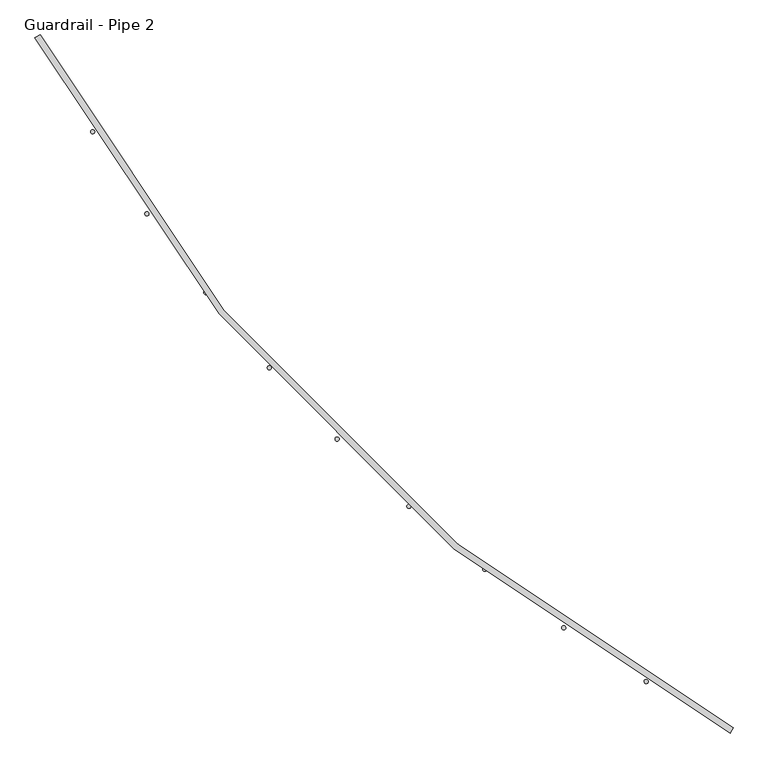
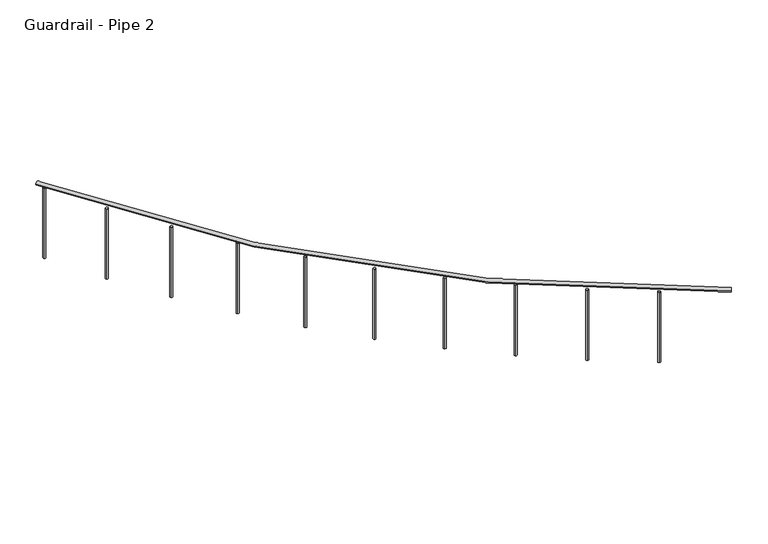
"""IFC4 building model written with IfcOpenShell, lengths in millimetres: railing geometry, Guardrail - Pipe 2."""

from ifc_helpers import new_model, si_unit, point, frame, frame_2d, origin, place, context, project, spatial, circle_curve, ellipse_curve, trimmed, segment, composite_curve, outline, extrude, source, transform, mapped, element, save
from ifc_brep_helpers import plane_surface, revolved_surface, advanced_brep


def guardrail_pipe_2_f17339f3(model_context):
    return source(origin(), model_context, "Body", "SolidModel", [
        advanced_brep(
        [(585736.58135, -289580.2315517, 5518.15), (590043.0019382, -293886.65214, 5518.15), (590060.93135, -293853.0344929, 5518.15), (585770.198997, -289562.30214, 5518.15)],
        [
            (0, 1, circle_curve(frame((594964.6254676, -284658.6080223, 5518.15), z_axis=(0.0, 0.0, 1.0), x_axis=(-0.47058823529371446, -0.8823529411766856, 0.0)), 10458.45)),
            (1, 2, circle_curve(frame((590051.9666441, -293869.8433165, 5518.15), z_axis=(-0.8823529411766802, 0.4705882352937247, 0.0), x_axis=(-0.4705882352937247, -0.8823529411766802, 0.0)), 19.05)),
            (2, 3, circle_curve(frame((594964.6254676, -284658.6080223, 5518.15), z_axis=(0.0, 0.0, -1.0), x_axis=(-0.47058823529371446, -0.8823529411766856, 0.0)), 10420.35)),
            (3, 0, circle_curve(frame((585753.3901735, -289571.2668459, 5518.15), z_axis=(0.47058823529375665, -0.8823529411766631, 0.0), x_axis=(-0.8823529411766631, -0.47058823529375665, 0.0)), 19.05)),
            (2, 1, circle_curve(frame((590051.9666441, -293869.8433165, 5518.15), z_axis=(-0.882352941176681, 0.4705882352937233, 0.0), x_axis=(-0.4705882352937233, -0.882352941176681, 0.0)), 19.05)),
            (0, 3, circle_curve(frame((585753.3901735, -289571.2668459, 5518.15), z_axis=(0.47058823529375227, -0.8823529411766654, 0.0), x_axis=(-0.8823529411766654, -0.47058823529375227, 0.0)), 19.05)),
        ],
        [
            revolved_surface(trimmed(ellipse_curve(frame((590051.9666441, -293869.8433165, 5518.15), z_axis=(0.8823529411766856, -0.47058823529371446, 0.0), x_axis=(-0.47058823529371446, -0.8823529411766856, 0.0)), 19.05, 19.05), [point((590060.93135, -293853.0344929, 5518.15))], [point((590043.0019382, -293886.65214, 5518.15))], True, "CARTESIAN"), (594964.6254676, -284658.6080223, 5537.2), (0.0, 0.0, -1.0)),
            revolved_surface(trimmed(ellipse_curve(frame((590051.9666441, -293869.8433165, 5518.15), z_axis=(0.8823529411766856, -0.47058823529371446, 0.0), x_axis=(-0.47058823529371446, -0.8823529411766856, 0.0)), 19.05, 19.05), [point((590043.0019382, -293886.65214, 5518.15))], [point((590060.93135, -293853.0344929, 5518.15))], True, "CARTESIAN"), (594964.6254676, -284658.6080223, 5537.2), (0.0, 0.0, -1.0)),
            plane_surface(frame((590051.9666441, -293869.8433165, 5537.2), z_axis=(0.8823529411766856, -0.47058823529371446, 0.0), x_axis=(0.47058823529371446, 0.8823529411766856, 0.0))),
            plane_surface(frame((585753.3901735, -289571.2668459, 5537.2), z_axis=(-0.47058823529374844, 0.8823529411766675, 0.0), x_axis=(0.8823529411766675, 0.47058823529374844, 0.0))),
        ],
        [
            (0, [[1, 2, 3, 4]]),
            (1, [[-3, 5, -1, 6]]),
            (2, [[-2, -5]]),
            (3, [[-6, -4]]),
        ],
    ),
        extrude(outline(composite_curve([segment(trimmed(circle_curve(frame_2d((585787.7059149, -289635.0746286)), 12.7), [point((585798.8700506, -289629.020533))], [point((585776.5417792, -289641.1287242))], False, "CARTESIAN"), True, "CONTINUOUS"), segment(trimmed(circle_curve(frame_2d((585787.7059149, -289635.0746286)), 12.7), [point((585776.5417792, -289641.1287242))], [point((585798.8700506, -289629.020533))], False, "CARTESIAN"), True, "CONTINUOUS")], self_intersect=False)), frame((0.0, 0.0, 4775.2), z_axis=(0.0, 0.0, 1.0), x_axis=(1.0, 0.0, 0.0)), (0.0, 0.0, 1.0), 723.9),
        extrude(outline(composite_curve([segment(trimmed(circle_curve(frame_2d((586093.779026, -290162.1664865)), 12.7), [point((586104.57081, -290155.4711599))], [point((586082.987242, -290168.8618131))], False, "CARTESIAN"), True, "CONTINUOUS"), segment(trimmed(circle_curve(frame_2d((586093.779026, -290162.1664865)), 12.7), [point((586082.987242, -290168.8618131))], [point((586104.57081, -290155.4711599))], False, "CARTESIAN"), True, "CONTINUOUS")], self_intersect=False)), frame((0.0, 0.0, 4775.2), z_axis=(0.0, 0.0, 1.0), x_axis=(1.0, 0.0, 0.0)), (0.0, 0.0, 1.0), 723.9),
        extrude(outline(composite_curve([segment(trimmed(circle_curve(frame_2d((586430.0920467, -290670.4972136)), 12.7), [point((586440.4746908, -290663.1834798))], [point((586419.7094027, -290677.8109474))], False, "CARTESIAN"), True, "CONTINUOUS"), segment(trimmed(circle_curve(frame_2d((586430.0920467, -290670.4972136)), 12.7), [point((586419.7094027, -290677.8109474))], [point((586440.4746908, -290663.1834798))], False, "CARTESIAN"), True, "CONTINUOUS")], self_intersect=False)), frame((0.0, 0.0, 4775.2), z_axis=(0.0, 0.0, 1.0), x_axis=(1.0, 0.0, 0.0)), (0.0, 0.0, 1.0), 723.9),
        extrude(outline(composite_curve([segment(trimmed(circle_curve(frame_2d((586795.4985166, -291158.3339565)), 12.7), [point((586805.4366273, -291150.4267473))], [point((586785.560406, -291166.2411656))], False, "CARTESIAN"), True, "CONTINUOUS"), segment(trimmed(circle_curve(frame_2d((586795.4985166, -291158.3339565)), 12.7), [point((586785.560406, -291166.2411656))], [point((586805.4366273, -291150.4267473))], False, "CARTESIAN"), True, "CONTINUOUS")], self_intersect=False)), frame((0.0, 0.0, 4775.2), z_axis=(0.0, 0.0, 1.0), x_axis=(1.0, 0.0, 0.0)), (0.0, 0.0, 1.0), 723.9),
        extrude(outline(composite_curve([segment(trimmed(circle_curve(frame_2d((587188.7527983, -291624.0137241)), 12.7), [point((587198.2124974, -291615.5399945))], [point((587179.2930992, -291632.4874537))], False, "CARTESIAN"), True, "CONTINUOUS"), segment(trimmed(circle_curve(frame_2d((587188.7527983, -291624.0137241)), 12.7), [point((587179.2930992, -291632.4874537))], [point((587198.2124974, -291615.5399945))], False, "CARTESIAN"), True, "CONTINUOUS")], self_intersect=False)), frame((0.0, 0.0, 4775.2), z_axis=(0.0, 0.0, 1.0), x_axis=(1.0, 0.0, 0.0)), (0.0, 0.0, 1.0), 723.9),
        extrude(outline(composite_curve([segment(trimmed(circle_curve(frame_2d((587608.5143235, -292065.9490564)), 12.7), [point((587617.4633638, -292056.9376926))], [point((587599.5652832, -292074.9604202))], False, "CARTESIAN"), True, "CONTINUOUS"), segment(trimmed(circle_curve(frame_2d((587608.5143235, -292065.9490564)), 12.7), [point((587599.5652832, -292074.9604202))], [point((587617.4633638, -292056.9376926))], False, "CARTESIAN"), True, "CONTINUOUS")], self_intersect=False)), frame((0.0, 0.0, 4775.2), z_axis=(0.0, 0.0, 1.0), x_axis=(1.0, 0.0, 0.0)), (0.0, 0.0, 1.0), 723.9),
        extrude(outline(composite_curve([segment(trimmed(circle_curve(frame_2d((588053.3521634, -292482.633436)), 12.7), [point((588061.7600384, -292473.1151569))], [point((588044.9442883, -292492.1517151))], False, "CARTESIAN"), True, "CONTINUOUS"), segment(trimmed(circle_curve(frame_2d((588053.3521634, -292482.633436)), 12.7), [point((588044.9442883, -292492.1517151))], [point((588061.7600384, -292473.1151569))], False, "CARTESIAN"), True, "CONTINUOUS")], self_intersect=False)), frame((0.0, 0.0, 4775.2), z_axis=(0.0, 0.0, 1.0), x_axis=(1.0, 0.0, 0.0)), (0.0, 0.0, 1.0), 723.9),
        extrude(outline(composite_curve([segment(trimmed(circle_curve(frame_2d((588521.7499061, -292872.6464237)), 12.7), [point((588529.5879542, -292862.6536763))], [point((588513.911858, -292882.6391712))], False, "CARTESIAN"), True, "CONTINUOUS"), segment(trimmed(circle_curve(frame_2d((588521.7499061, -292872.6464237)), 12.7), [point((588513.911858, -292882.6391712))], [point((588529.5879542, -292862.6536763))], False, "CARTESIAN"), True, "CONTINUOUS")], self_intersect=False)), frame((0.0, 0.0, 4775.2), z_axis=(0.0, 0.0, 1.0), x_axis=(1.0, 0.0, 0.0)), (0.0, 0.0, 1.0), 723.9),
        extrude(outline(composite_curve([segment(trimmed(circle_curve(frame_2d((589012.1108264, -293234.6585006)), 12.7), [point((589019.3523284, -293224.2253492))], [point((589004.8693244, -293245.0916521))], False, "CARTESIAN"), True, "CONTINUOUS"), segment(trimmed(circle_curve(frame_2d((589012.1108264, -293234.6585006)), 12.7), [point((589004.8693244, -293245.0916521))], [point((589019.3523284, -293224.2253492))], False, "CARTESIAN"), True, "CONTINUOUS")], self_intersect=False)), frame((0.0, 0.0, 4775.2), z_axis=(0.0, 0.0, 1.0), x_axis=(1.0, 0.0, 0.0)), (0.0, 0.0, 1.0), 723.9),
        extrude(outline(composite_curve([segment(trimmed(circle_curve(frame_2d((589522.7633284, -293567.4356005)), 12.7), [point((589529.3835986, -293556.5976108))], [point((589516.1430582, -293578.2735903))], False, "CARTESIAN"), True, "CONTINUOUS"), segment(trimmed(circle_curve(frame_2d((589522.7633284, -293567.4356005)), 12.7), [point((589516.1430582, -293578.2735903))], [point((589529.3835986, -293556.5976108))], False, "CARTESIAN"), True, "CONTINUOUS")], self_intersect=False)), frame((0.0, 0.0, 4775.2), z_axis=(0.0, 0.0, 1.0), x_axis=(1.0, 0.0, 0.0)), (0.0, 0.0, 1.0), 723.9),
    ])


if __name__ == "__main__":
    model = new_model("IFC4")
    model_context = context("Model", 3, world=origin())
    ifc_project = project(units=[si_unit("LENGTHUNIT", "METRE", prefix="MILLI")], contexts=[model_context])
    site = spatial("IfcSite", under=ifc_project)
    building = spatial("IfcBuilding", under=site)
    placement = place(None, origin())
    guardrail_pipe_2_shape = guardrail_pipe_2_f17339f3(model_context)
    element("IfcRailing", 1, ObjectType="Guardrail - Pipe 2", at=placement, inside=building, context=model_context, shape_type="MappedRepresentation", body=[
        mapped(guardrail_pipe_2_shape, transform((0.0, 0.0, 0.0), x_axis=(1.0, 0.0, 0.0), y_axis=(0.0, 1.0, 0.0), z_axis=(0.0, 0.0, 1.0))),
    ])
    save(model, "model.ifc")
